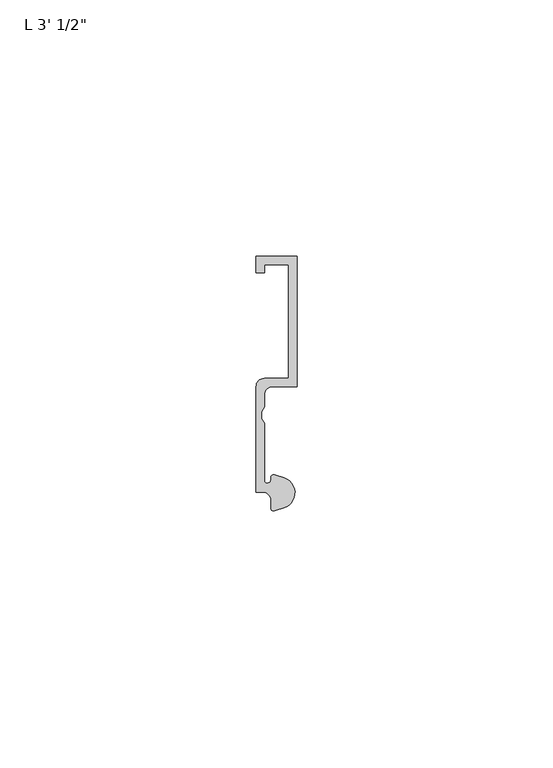
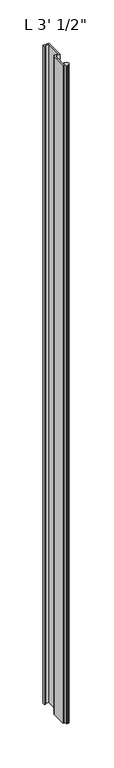
"""IFC4 building model written with IfcOpenShell, lengths in millimetres: proxy geometry."""

from ifc_helpers import new_model, si_unit, point, frame_2d, origin, origin_with_axes, place, context, project, spatial, polyline, circle_curve, trimmed, segment, composite_curve, outline, extrude, source, transform, mapped, element, save


def proxy_ef0111e3(model_context):
    return source(origin(), model_context, "Body", "SweptSolid", [
        extrude(outline(composite_curve([segment(polyline([(5.4099313, 0.6224223), (3.5749842, 0.0497144)]), True, "CONTINUOUS"), segment(trimmed(circle_curve(frame_2d((3.3646912, 0.4696291)), 0.4696291), [point((3.5749842, 0.0497144))], [point((2.8950622, 0.4696291))], False, "CARTESIAN"), True, "CONTINUOUS"), segment(polyline([(2.8950622, 0.4696291), (2.8950622, 2.0112392)]), True, "CONTINUOUS"), segment(trimmed(circle_curve(frame_2d((1.3075622, 2.0112392)), 1.5875), [point((2.8950622, 2.0112392))], [point((1.3075622, 3.5987392))], True, "CARTESIAN"), True, "CONTINUOUS"), segment(polyline([(1.3075622, 3.5987392), (0.0, 3.5987392), (0.0, 24.2362392)]), True, "CONTINUOUS"), segment(trimmed(circle_curve(frame_2d((1.5875, 24.2362392)), 1.5875), [point((0.0, 24.2362392))], [point((1.5875, 25.8237392))], False, "CARTESIAN"), True, "CONTINUOUS"), segment(polyline([(1.5875, 25.8237392), (6.35, 25.8237392), (6.35, 48.0300641), (1.5875, 48.0300641), (1.5875, 46.4425641), (0.0, 46.4425641), (0.0, 49.6175641), (7.9375, 49.6175641), (7.9375, 24.2134797), (3.175, 24.2134797)]), True, "CONTINUOUS"), segment(trimmed(circle_curve(frame_2d((3.175, 22.6259797)), 1.5875), [point((3.175, 24.2134797))], [point((1.5875, 22.6259797))], True, "CARTESIAN"), True, "CONTINUOUS"), segment(polyline([(1.5875, 22.6259797), (1.5875, 20.2473512), (1.0783361, 19.3299316), (1.0783361, 17.9897709), (1.5875, 17.0723512), (1.5875, 5.8847392)]), True, "CONTINUOUS"), segment(trimmed(circle_curve(frame_2d((2.0955, 5.8847392)), 0.508), [point((1.5875, 5.8847392))], [point((2.1123834, 5.3770198))], True, "CARTESIAN"), True, "CONTINUOUS"), segment(trimmed(circle_curve(frame_2d((2.1330622, 6.1387392)), 0.762), [point((2.1123834, 5.3770198))], [point((2.8720827, 6.3244611))], True, "CARTESIAN"), True, "CONTINUOUS"), segment(trimmed(circle_curve(frame_2d((3.4254762, 6.4635334)), 0.5706009), [point((2.8720827, 6.3244611))], [point((3.6135887, 7.0022347))], False, "CARTESIAN"), True, "CONTINUOUS"), segment(polyline([(3.6135887, 7.0022347), (5.4099313, 6.4415757)]), True, "CONTINUOUS"), segment(trimmed(circle_curve(frame_2d((4.5018192, 3.531999)), 3.048), [point((5.4099313, 6.4415757))], [point((7.1037699, 1.944499))], False, "CARTESIAN"), True, "CONTINUOUS"), segment(trimmed(circle_curve(frame_2d((4.5018192, 3.531999)), 3.048), [point((7.1037699, 1.944499))], [point((5.4099313, 0.6224223))], False, "CARTESIAN"), True, "CONTINUOUS")], self_intersect=False)), origin_with_axes(), (0.0, 0.0, 1.0), 927.1),
    ])


if __name__ == "__main__":
    model = new_model("IFC4")
    model_context = context("Model", 3, world=origin())
    ifc_project = project(units=[si_unit("LENGTHUNIT", "METRE", prefix="MILLI")], contexts=[model_context])
    site = spatial("IfcSite", under=ifc_project)
    building = spatial("IfcBuilding", under=site)
    placement = place(None, origin())
    proxy_shape = proxy_ef0111e3(model_context)
    element("IfcBuildingElementProxy", 1, Name="L 3' 1/2\"", ObjectType="L 3' 1/2\"", at=placement, inside=building, context=model_context, shape_type="MappedRepresentation", body=[
        mapped(proxy_shape, transform((0.0, 0.0, 0.0), x_axis=(1.0, 0.0, 0.0), y_axis=(0.0, 1.0, 0.0), z_axis=(0.0, 0.0, 1.0))),
    ])
    save(model, "model.ifc")
